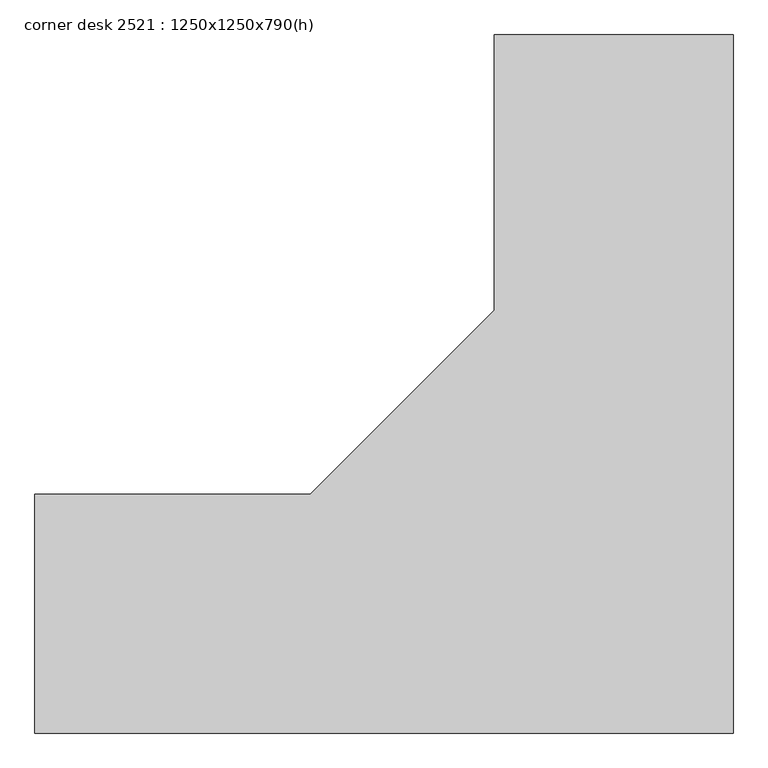
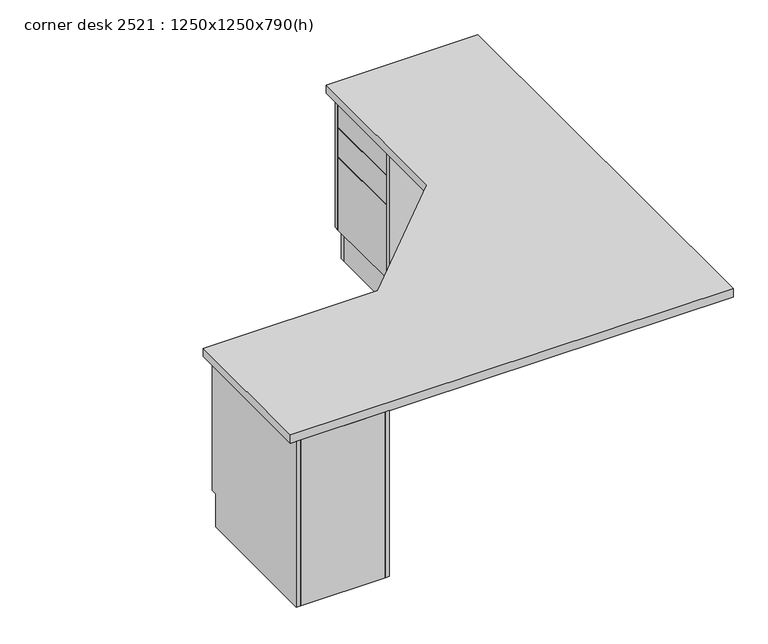
"""IFC4 building model written with IfcOpenShell, lengths in millimetres: furniture geometry, corner desk 2521 : 1250x1250x790(h)."""

import ifcopenshell
import ifcopenshell.guid

model = None  # the IFC model being written
_history = None  # IfcOwnerHistory: only IFC2X3 demands one
_inside = {}  # id of a spatial element -> (the spatial element, [elements in it])
_under = {}  # id of a project, library or spatial element -> (it, [spatial elements below it])
_declared = {}  # id of a project -> (the project, [libraries it declares])
_typed = {}  # id of a type object -> (the type object, [elements of that type])
_made_of = {}  # id of a material, layer set ... -> (it, [elements and type objects made of it])


def new_model(schema):
    """Start an empty IFC model of exactly this schema.

    Asked for "IFC4X3", IfcOpenShell would pick the latest addendum, in which some entities
    have other attributes; the version numbers below select the first issue.
    IFC2X3 requires an IfcOwnerHistory on every rooted entity: one is made here for all.
    """
    global model, _history
    if schema == "IFC4X3":
        model = ifcopenshell.file(schema_version=(4, 3, 0, 0))
    else:
        model = ifcopenshell.file(schema=schema)
    _inside.clear()
    _under.clear()
    _declared.clear()
    _typed.clear()
    _made_of.clear()
    _history = None
    if model.schema == "IFC2X3":
        org = make("IfcOrganization", Name="unknown")
        user = make(
            "IfcPersonAndOrganization",
            ThePerson=make("IfcPerson", FamilyName="unknown"),
            TheOrganization=org,
        )
        app = make(
            "IfcApplication",
            ApplicationDeveloper=org,
            Version="unknown",
            ApplicationFullName="unknown",
            ApplicationIdentifier="unknown",
        )
        _history = make(
            "IfcOwnerHistory",
            OwningUser=user,
            OwningApplication=app,
            ChangeAction="ADDED",
            CreationDate=0,
        )
    return model


def make(cls, **values):
    """One entity of the class cls with the attributes given. An attribute that is None is left unset."""
    return model.create_entity(
        cls, **{name: value for name, value in values.items() if value is not None}
    )


def rooted(cls, **values):
    """An entity with a GlobalId (a new one), such as an element, a storey or a relation."""
    return make(cls, GlobalId=ifcopenshell.guid.new(), OwnerHistory=_history, **values)


def si_unit(unit_type, name, prefix=None):
    """IfcSIUnit, for example si_unit("LENGTHUNIT", "METRE", prefix="MILLI")."""
    return make("IfcSIUnit", UnitType=unit_type, Prefix=prefix, Name=name)


def assignment(units):
    """IfcUnitAssignment: the units of a project."""
    return None if units is None else make("IfcUnitAssignment", Units=units)


def point(xyz):
    """IfcCartesianPoint."""
    return None if xyz is None else make("IfcCartesianPoint", Coordinates=xyz)


def direction(xyz):
    """IfcDirection."""
    return None if xyz is None else make("IfcDirection", DirectionRatios=xyz)


def frame(location, z_axis=None, x_axis=None):
    """IfcAxis2Placement3D, a coordinate frame: its origin and axes. An axis left out is left unset."""
    return make(
        "IfcAxis2Placement3D",
        Location=point(location),
        Axis=direction(z_axis),
        RefDirection=direction(x_axis),
    )


def origin():
    """The frame at (0, 0, 0) with its axes left unset."""
    return frame((0.0, 0.0, 0.0))


def origin_with_axes():
    """The frame at (0, 0, 0) with the z axis (0, 0, 1) and the x axis (1, 0, 0) written out."""
    return frame((0.0, 0.0, 0.0), z_axis=(0.0, 0.0, 1.0), x_axis=(1.0, 0.0, 0.0))


def place(relative_to, where):
    """IfcLocalPlacement: puts the frame where relative to a parent placement (None: the world)."""
    return make(
        "IfcLocalPlacement", PlacementRelTo=relative_to, RelativePlacement=where
    )


def context(
    kind, dimensions, precision=None, world=None, true_north=None, identifier=None
):
    """IfcGeometricRepresentationContext, for example the 3D "Model" context."""
    return make(
        "IfcGeometricRepresentationContext",
        ContextIdentifier=identifier,
        ContextType=kind,
        CoordinateSpaceDimension=dimensions,
        Precision=precision,
        WorldCoordinateSystem=world,
        TrueNorth=true_north,
    )


def project(units=None, contexts=None):
    """IfcProject with its units and contexts."""
    return rooted(
        "IfcProject",
        Name="project",
        RepresentationContexts=contexts,
        UnitsInContext=assignment(units),
    )


def spatial(cls, under=None, at=None, **own):
    """A site, building, storey or space (cls), placed at a placement, below another one or the project."""
    s = rooted(cls, ObjectPlacement=at, **own)
    if under is not None:
        _under.setdefault(under.id(), (under, []))[1].append(s)
    return s


def polyline(points):
    """IfcPolyline through the points."""
    return make("IfcPolyline", Points=[point(p) for p in points])


def outline(outer, holes=None, kind="AREA"):
    """IfcArbitraryClosedProfileDef: a profile drawn as a closed curve; with holes, ...WithVoids."""
    if holes is None:
        return make("IfcArbitraryClosedProfileDef", ProfileType=kind, OuterCurve=outer)
    return make(
        "IfcArbitraryProfileDefWithVoids",
        ProfileType=kind,
        OuterCurve=outer,
        InnerCurves=holes,
    )


def extrude(swept, where, along, depth):
    """IfcExtrudedAreaSolid: the profile swept, set in the frame where, extruded along a direction by depth."""
    return make(
        "IfcExtrudedAreaSolid",
        SweptArea=swept,
        Position=where,
        ExtrudedDirection=direction(along),
        Depth=depth,
    )


def shape(context_of_items, identifier, shape_type, items):
    """IfcShapeRepresentation: the items that make up one representation, for example the "Body"."""
    return make(
        "IfcShapeRepresentation",
        ContextOfItems=context_of_items,
        RepresentationIdentifier=identifier,
        RepresentationType=shape_type,
        Items=items,
    )


def source(mapping_origin, context_of_items, identifier, shape_type, items):
    """IfcRepresentationMap: a shape defined once, which mapped items show again and again."""
    return make(
        "IfcRepresentationMap",
        MappingOrigin=mapping_origin,
        MappedRepresentation=shape(context_of_items, identifier, shape_type, items),
    )


def transform(
    local_origin,
    x_axis=None,
    y_axis=None,
    z_axis=None,
    scale=None,
    scale2=None,
    scale3=None,
    uniform=True,
):
    """IfcCartesianTransformationOperator3D, or its non-uniform kind. x_axis, y_axis, z_axis: its Axis1, 2, 3."""
    if uniform:
        return make(
            "IfcCartesianTransformationOperator3D",
            Axis1=direction(x_axis),
            Axis2=direction(y_axis),
            LocalOrigin=point(local_origin),
            Scale=scale,
            Axis3=direction(z_axis),
        )
    return make(
        "IfcCartesianTransformationOperator3DnonUniform",
        Axis1=direction(x_axis),
        Axis2=direction(y_axis),
        LocalOrigin=point(local_origin),
        Scale=scale,
        Axis3=direction(z_axis),
        Scale2=scale2,
        Scale3=scale3,
    )


def mapped(mapping_source, mapping_target):
    """IfcMappedItem: shows the shape of a source again, moved by a transform."""
    return make(
        "IfcMappedItem", MappingSource=mapping_source, MappingTarget=mapping_target
    )


def made_of(thing, what):
    """Note that an element or type object is made of a material, layer set ...; save() writes the relation."""
    if what is not None:
        _made_of.setdefault(what.id(), (what, []))[1].append(thing)
    return thing


def element(
    cls,
    number,
    at=None,
    inside=None,
    cuts=None,
    type_object=None,
    material=None,
    context=None,
    identifier="Body",
    shape_type=None,
    held_by="IfcProductDefinitionShape",
    body=None,
    shapes=None,
    **own,
):
    """One element of the class cls, such as IfcWall. Its Tag is "e" and its number.

    at: its placement. inside: the storey or other place that contains it. cuts: it is an
    opening in that element (IfcRelVoidsElement). A single representation is given by context,
    identifier, shape_type and body (its items); several are given by shapes. held_by: the class
    of the entity that holds the representations. save() writes the other relations.
    """
    e = rooted(cls, Tag="e%d" % number, ObjectPlacement=at, **own)
    if body is not None:
        shapes = [shape(context, identifier, shape_type, body)]
    if shapes is not None:
        e.Representation = make(held_by, Representations=shapes)
    if inside is not None:
        _inside.setdefault(inside.id(), (inside, []))[1].append(e)
    if cuts is not None:
        rooted(
            "IfcRelVoidsElement", RelatingBuildingElement=cuts, RelatedOpeningElement=e
        )
    if type_object is not None:
        _typed.setdefault(type_object.id(), (type_object, []))[1].append(e)
    return made_of(e, material)


def aggregate(whole, parts):
    """IfcRelAggregates: a whole, such as a stair, and the parts it consists of."""
    return rooted("IfcRelAggregates", RelatingObject=whole, RelatedObjects=parts)


def save(model, path):
    """Write the relations noted so far, then the file.

    IfcRelAggregates (storeys below a building ...), IfcRelContainedInSpatialStructure (elements
    in a storey), IfcRelDefinesByType, IfcRelAssociatesMaterial and IfcRelDeclares: one each for
    every whole, place, type object, material and project.
    """
    for whole, parts in _under.values():
        aggregate(whole, parts)
    for where, things in _inside.values():
        rooted(
            "IfcRelContainedInSpatialStructure",
            RelatedElements=things,
            RelatingStructure=where,
        )
    for kind, things in _typed.values():
        rooted("IfcRelDefinesByType", RelatedObjects=things, RelatingType=kind)
    for what, things in _made_of.values():
        rooted("IfcRelAssociatesMaterial", RelatedObjects=things, RelatingMaterial=what)
    for by, libraries in _declared.values():
        rooted("IfcRelDeclares", RelatingContext=by, RelatedDefinitions=libraries)
    model.write(path)


def corner_desk_2521_1250x1250x790_h_cb89e82d(model_context):
    return source(origin(), model_context, "Body", "SweptSolid", [
        extrude(outline(polyline([(631.0, 1206.0), (650.0, 1206.0), (650.0, 844.0), (631.0, 844.0), (631.0, 1206.0)])), origin_with_axes(), (0.0, 0.0, 1.0), 752.0),
        extrude(outline(polyline([(-844.0, -650.0), (-1206.0, -650.0), (-1206.0, -631.0), (-844.0, -631.0), (-844.0, -650.0)])), origin_with_axes(), (0.0, 0.0, 1.0), 752.0),
        extrude(outline(polyline([(-25.0, 150.0), (-50.0, 150.0), (-50.0, 0.0), (-650.0, 0.0), (-650.0, 752.0), (-25.0, 752.0), (-25.0, 150.0)])), frame((-844.0, 0.0, 0.0), z_axis=(1.0, 0.0, 0.0), x_axis=(0.0, 1.0, 0.0)), (0.0, 0.0, 1.0), 19.0),
        extrude(outline(polyline([(-25.0, 150.0), (-50.0, 150.0), (-50.0, 0.0), (-650.0, 0.0), (-650.0, 752.0), (-25.0, 752.0), (-25.0, 150.0)])), frame((-1225.0, 0.0, 0.0), z_axis=(1.0, 0.0, 0.0), x_axis=(0.0, 1.0, 0.0)), (0.0, 0.0, 1.0), 19.0),
        extrude(outline(polyline([(-844.0, -25.0), (-844.0, -44.0), (-1206.0, -44.0), (-1206.0, -25.0), (-844.0, -25.0)])), frame((0.0, 0.0, 618.0), z_axis=(0.0, 0.0, 1.0), x_axis=(1.0, 0.0, 0.0)), (0.0, 0.0, 1.0), 130.0),
        extrude(outline(polyline([(-844.0, -25.0), (-844.0, -44.0), (-1206.0, -44.0), (-1206.0, -25.0), (-844.0, -25.0)])), frame((0.0, 0.0, 484.0), z_axis=(0.0, 0.0, 1.0), x_axis=(1.0, 0.0, 0.0)), (0.0, 0.0, 1.0), 130.0),
        extrude(outline(polyline([(-844.0, -25.0), (-844.0, -44.0), (-1206.0, -44.0), (-1206.0, -25.0), (-844.0, -25.0)])), frame((0.0, 0.0, 150.0), z_axis=(0.0, 0.0, 1.0), x_axis=(1.0, 0.0, 0.0)), (0.0, 0.0, 1.0), 330.0),
        extrude(outline(polyline([(-1206.0, -69.0), (-1206.0, -50.0), (-844.0, -50.0), (-844.0, -69.0), (-1206.0, -69.0)])), origin_with_axes(), (0.0, 0.0, 1.0), 150.0),
        extrude(outline(polyline([(150.0, 25.0), (150.0, 50.0), (0.0, 50.0), (0.0, 650.0), (752.0, 650.0), (752.0, 25.0), (150.0, 25.0)])), frame((0.0, 825.0, 0.0), z_axis=(0.0, 1.0, 0.0), x_axis=(0.0, 0.0, 1.0)), (0.0, 0.0, 1.0), 19.0),
        extrude(outline(polyline([(150.0, 25.0), (150.0, 50.0), (0.0, 50.0), (0.0, 650.0), (752.0, 650.0), (752.0, 25.0), (150.0, 25.0)])), frame((0.0, 1206.0, 0.0), z_axis=(0.0, 1.0, 0.0), x_axis=(0.0, 0.0, 1.0)), (0.0, 0.0, 1.0), 19.0),
        extrude(outline(polyline([(44.0, 844.0), (25.0, 844.0), (25.0, 1206.0), (44.0, 1206.0), (44.0, 844.0)])), frame((0.0, 0.0, 618.0), z_axis=(0.0, 0.0, 1.0), x_axis=(1.0, 0.0, 0.0)), (0.0, 0.0, 1.0), 130.0),
        extrude(outline(polyline([(44.0, 844.0), (25.0, 844.0), (25.0, 1206.0), (44.0, 1206.0), (44.0, 844.0)])), frame((0.0, 0.0, 484.0), z_axis=(0.0, 0.0, 1.0), x_axis=(1.0, 0.0, 0.0)), (0.0, 0.0, 1.0), 130.0),
        extrude(outline(polyline([(44.0, 844.0), (25.0, 844.0), (25.0, 1206.0), (44.0, 1206.0), (44.0, 844.0)])), frame((0.0, 0.0, 150.0), z_axis=(0.0, 0.0, 1.0), x_axis=(1.0, 0.0, 0.0)), (0.0, 0.0, 1.0), 330.0),
        extrude(outline(polyline([(69.0, 1206.0), (69.0, 844.0), (50.0, 844.0), (50.0, 1206.0), (69.0, 1206.0)])), origin_with_axes(), (0.0, 0.0, 1.0), 150.0),
        extrude(outline(polyline([(650.0, 1250.0), (650.0, -650.0), (-1250.0, -650.0), (-1250.0, 0.0), (-500.0, 0.0), (0.0, 500.0), (0.0, 1250.0), (650.0, 1250.0)])), frame((0.0, 0.0, 752.0), z_axis=(0.0, 0.0, 1.0), x_axis=(1.0, 0.0, 0.0)), (0.0, 0.0, 1.0), 38.0),
    ])


if __name__ == "__main__":
    model = new_model("IFC4")
    model_context = context("Model", 3, world=origin())
    ifc_project = project(units=[si_unit("LENGTHUNIT", "METRE", prefix="MILLI")], contexts=[model_context])
    site = spatial("IfcSite", under=ifc_project)
    building = spatial("IfcBuilding", under=site)
    placement = place(None, origin())
    corner_desk_2521_1250x1250x790_h_shape = corner_desk_2521_1250x1250x790_h_cb89e82d(model_context)
    element("IfcFurniture", 1, ObjectType="corner desk 2521 : 1250x1250x790(h)", at=placement, inside=building, context=model_context, shape_type="MappedRepresentation", body=[
        mapped(corner_desk_2521_1250x1250x790_h_shape, transform((0.0, 0.0, 0.0), x_axis=(1.0, 0.0, 0.0), y_axis=(0.0, 1.0, 0.0), z_axis=(0.0, 0.0, 1.0))),
    ])
    save(model, "model.ifc")
